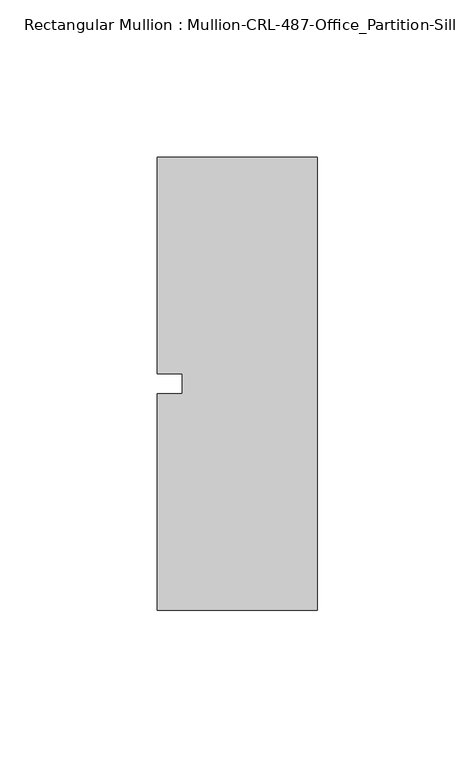
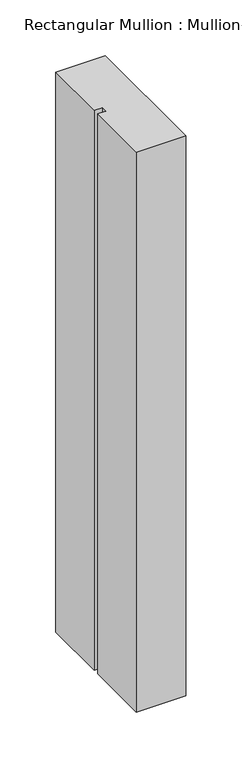
"""IFC4 building model written with IfcOpenShell, lengths in millimetres: member geometry, Rectangular Mullion : Mullion-CRL-487-Office_Partition-Sill."""

from ifc_helpers import new_model, si_unit, frame, origin, place, context, project, spatial, polyline, outline, extrude, source, transform, mapped, element, save


def rectangular_mullion_mullion_crl_487_office_partition_sill_4163aa4d(model_context):
    return source(origin(), model_context, "Body", "SweptSolid", [
        extrude(outline(polyline([(-50.8, 71.9452142), (0.0, 71.9452142), (0.0, -71.9452143), (-50.8, -71.9452143), (-50.8, -3.175), (-42.8625, -3.175), (-42.8625, 3.175), (-50.8, 3.175), (-50.8, 71.9452142)])), frame((0.0, 0.0, -611.1875), z_axis=(0.0, 0.0, 1.0), x_axis=(1.0, 0.0, 0.0)), (0.0, 0.0, 1.0), 611.1875),
    ])


if __name__ == "__main__":
    model = new_model("IFC4")
    model_context = context("Model", 3, world=origin())
    ifc_project = project(units=[si_unit("LENGTHUNIT", "METRE", prefix="MILLI")], contexts=[model_context])
    site = spatial("IfcSite", under=ifc_project)
    building = spatial("IfcBuilding", under=site)
    placement = place(None, origin())
    rectangular_mullion_mullion_crl_487_office_partition_sill_shape = rectangular_mullion_mullion_crl_487_office_partition_sill_4163aa4d(model_context)
    element("IfcMember", 1, ObjectType="Rectangular Mullion : Mullion-CRL-487-Office_Partition-Sill", at=placement, inside=building, context=model_context, shape_type="MappedRepresentation", body=[
        mapped(rectangular_mullion_mullion_crl_487_office_partition_sill_shape, transform((0.0, 0.0, 0.0), x_axis=(1.0, 0.0, 0.0), y_axis=(0.0, 1.0, 0.0), z_axis=(0.0, 0.0, 1.0))),
    ])
    save(model, "model.ifc")
